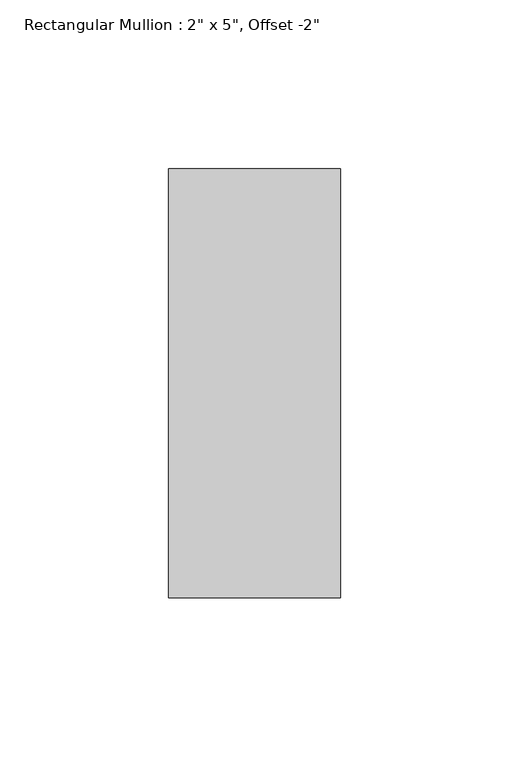
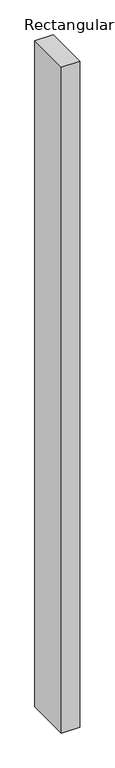
"""IFC4 building model written with IfcOpenShell, lengths in millimetres: member geometry."""

from ifc_helpers import new_model, si_unit, frame, origin, place, context, project, spatial, polyline, outline, extrude, source, transform, mapped, element, save


def member_87e7194e(model_context):
    return source(origin(), model_context, "Body", "SweptSolid", [
        extrude(outline(polyline([(0.0, 114.3), (0.0, -12.7), (-50.8, -12.7), (-50.8, 114.3), (0.0, 114.3)])), frame((0.0, 0.0, -1945.9821294), z_axis=(0.0, 0.0, 1.0), x_axis=(1.0, 0.0, 0.0)), (0.0, 0.0, 1.0), 1945.9821294),
    ])


if __name__ == "__main__":
    model = new_model("IFC4")
    model_context = context("Model", 3, world=origin())
    ifc_project = project(units=[si_unit("LENGTHUNIT", "METRE", prefix="MILLI")], contexts=[model_context])
    site = spatial("IfcSite", under=ifc_project)
    building = spatial("IfcBuilding", under=site)
    placement = place(None, origin())
    member_shape = member_87e7194e(model_context)
    element("IfcMember", 1, ObjectType="Rectangular Mullion : 2\" x 5\", Offset -2\"", at=placement, inside=building, context=model_context, shape_type="MappedRepresentation", body=[
        mapped(member_shape, transform((0.0, 0.0, 0.0), x_axis=(1.0, 0.0, 0.0), y_axis=(0.0, 1.0, 0.0), z_axis=(0.0, 0.0, 1.0))),
    ])
    save(model, "model.ifc")
